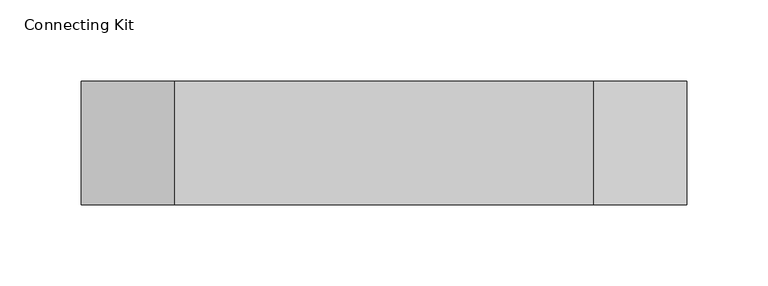
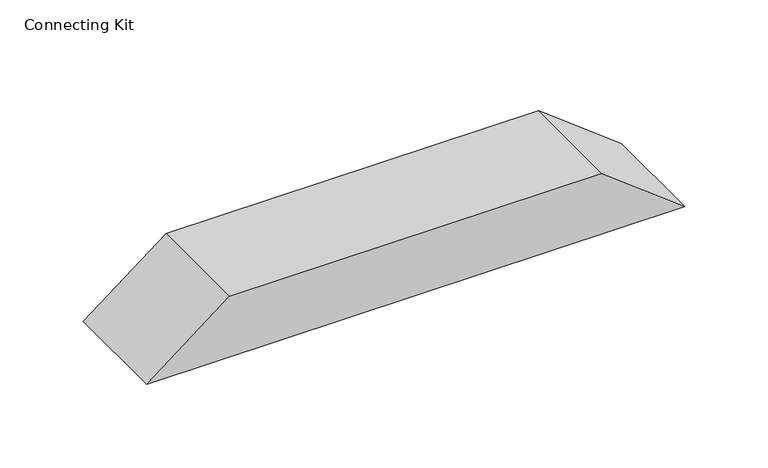
"""IFC4 building model written with IfcOpenShell, lengths in millimetres: furniture geometry, Connecting Kit."""

import ifcopenshell
import ifcopenshell.guid

model = None  # the IFC model being written
_history = None  # IfcOwnerHistory: only IFC2X3 demands one
_inside = {}  # id of a spatial element -> (the spatial element, [elements in it])
_under = {}  # id of a project, library or spatial element -> (it, [spatial elements below it])
_declared = {}  # id of a project -> (the project, [libraries it declares])
_typed = {}  # id of a type object -> (the type object, [elements of that type])
_made_of = {}  # id of a material, layer set ... -> (it, [elements and type objects made of it])


def new_model(schema):
    """Start an empty IFC model of exactly this schema.

    Asked for "IFC4X3", IfcOpenShell would pick the latest addendum, in which some entities
    have other attributes; the version numbers below select the first issue.
    IFC2X3 requires an IfcOwnerHistory on every rooted entity: one is made here for all.
    """
    global model, _history
    if schema == "IFC4X3":
        model = ifcopenshell.file(schema_version=(4, 3, 0, 0))
    else:
        model = ifcopenshell.file(schema=schema)
    _inside.clear()
    _under.clear()
    _declared.clear()
    _typed.clear()
    _made_of.clear()
    _history = None
    if model.schema == "IFC2X3":
        org = make("IfcOrganization", Name="unknown")
        user = make(
            "IfcPersonAndOrganization",
            ThePerson=make("IfcPerson", FamilyName="unknown"),
            TheOrganization=org,
        )
        app = make(
            "IfcApplication",
            ApplicationDeveloper=org,
            Version="unknown",
            ApplicationFullName="unknown",
            ApplicationIdentifier="unknown",
        )
        _history = make(
            "IfcOwnerHistory",
            OwningUser=user,
            OwningApplication=app,
            ChangeAction="ADDED",
            CreationDate=0,
        )
    return model


def make(cls, **values):
    """One entity of the class cls with the attributes given. An attribute that is None is left unset."""
    return model.create_entity(
        cls, **{name: value for name, value in values.items() if value is not None}
    )


def rooted(cls, **values):
    """An entity with a GlobalId (a new one), such as an element, a storey or a relation."""
    return make(cls, GlobalId=ifcopenshell.guid.new(), OwnerHistory=_history, **values)


def si_unit(unit_type, name, prefix=None):
    """IfcSIUnit, for example si_unit("LENGTHUNIT", "METRE", prefix="MILLI")."""
    return make("IfcSIUnit", UnitType=unit_type, Prefix=prefix, Name=name)


def assignment(units):
    """IfcUnitAssignment: the units of a project."""
    return None if units is None else make("IfcUnitAssignment", Units=units)


def point(xyz):
    """IfcCartesianPoint."""
    return None if xyz is None else make("IfcCartesianPoint", Coordinates=xyz)


def direction(xyz):
    """IfcDirection."""
    return None if xyz is None else make("IfcDirection", DirectionRatios=xyz)


def frame(location, z_axis=None, x_axis=None):
    """IfcAxis2Placement3D, a coordinate frame: its origin and axes. An axis left out is left unset."""
    return make(
        "IfcAxis2Placement3D",
        Location=point(location),
        Axis=direction(z_axis),
        RefDirection=direction(x_axis),
    )


def origin():
    """The frame at (0, 0, 0) with its axes left unset."""
    return frame((0.0, 0.0, 0.0))


def place(relative_to, where):
    """IfcLocalPlacement: puts the frame where relative to a parent placement (None: the world)."""
    return make(
        "IfcLocalPlacement", PlacementRelTo=relative_to, RelativePlacement=where
    )


def context(
    kind, dimensions, precision=None, world=None, true_north=None, identifier=None
):
    """IfcGeometricRepresentationContext, for example the 3D "Model" context."""
    return make(
        "IfcGeometricRepresentationContext",
        ContextIdentifier=identifier,
        ContextType=kind,
        CoordinateSpaceDimension=dimensions,
        Precision=precision,
        WorldCoordinateSystem=world,
        TrueNorth=true_north,
    )


def project(units=None, contexts=None):
    """IfcProject with its units and contexts."""
    return rooted(
        "IfcProject",
        Name="project",
        RepresentationContexts=contexts,
        UnitsInContext=assignment(units),
    )


def spatial(cls, under=None, at=None, **own):
    """A site, building, storey or space (cls), placed at a placement, below another one or the project."""
    s = rooted(cls, ObjectPlacement=at, **own)
    if under is not None:
        _under.setdefault(under.id(), (under, []))[1].append(s)
    return s


def polyline(points):
    """IfcPolyline through the points."""
    return make("IfcPolyline", Points=[point(p) for p in points])


def outline(outer, holes=None, kind="AREA"):
    """IfcArbitraryClosedProfileDef: a profile drawn as a closed curve; with holes, ...WithVoids."""
    if holes is None:
        return make("IfcArbitraryClosedProfileDef", ProfileType=kind, OuterCurve=outer)
    return make(
        "IfcArbitraryProfileDefWithVoids",
        ProfileType=kind,
        OuterCurve=outer,
        InnerCurves=holes,
    )


def extrude(swept, where, along, depth):
    """IfcExtrudedAreaSolid: the profile swept, set in the frame where, extruded along a direction by depth."""
    return make(
        "IfcExtrudedAreaSolid",
        SweptArea=swept,
        Position=where,
        ExtrudedDirection=direction(along),
        Depth=depth,
    )


def shape(context_of_items, identifier, shape_type, items):
    """IfcShapeRepresentation: the items that make up one representation, for example the "Body"."""
    return make(
        "IfcShapeRepresentation",
        ContextOfItems=context_of_items,
        RepresentationIdentifier=identifier,
        RepresentationType=shape_type,
        Items=items,
    )


def source(mapping_origin, context_of_items, identifier, shape_type, items):
    """IfcRepresentationMap: a shape defined once, which mapped items show again and again."""
    return make(
        "IfcRepresentationMap",
        MappingOrigin=mapping_origin,
        MappedRepresentation=shape(context_of_items, identifier, shape_type, items),
    )


def transform(
    local_origin,
    x_axis=None,
    y_axis=None,
    z_axis=None,
    scale=None,
    scale2=None,
    scale3=None,
    uniform=True,
):
    """IfcCartesianTransformationOperator3D, or its non-uniform kind. x_axis, y_axis, z_axis: its Axis1, 2, 3."""
    if uniform:
        return make(
            "IfcCartesianTransformationOperator3D",
            Axis1=direction(x_axis),
            Axis2=direction(y_axis),
            LocalOrigin=point(local_origin),
            Scale=scale,
            Axis3=direction(z_axis),
        )
    return make(
        "IfcCartesianTransformationOperator3DnonUniform",
        Axis1=direction(x_axis),
        Axis2=direction(y_axis),
        LocalOrigin=point(local_origin),
        Scale=scale,
        Axis3=direction(z_axis),
        Scale2=scale2,
        Scale3=scale3,
    )


def mapped(mapping_source, mapping_target):
    """IfcMappedItem: shows the shape of a source again, moved by a transform."""
    return make(
        "IfcMappedItem", MappingSource=mapping_source, MappingTarget=mapping_target
    )


def made_of(thing, what):
    """Note that an element or type object is made of a material, layer set ...; save() writes the relation."""
    if what is not None:
        _made_of.setdefault(what.id(), (what, []))[1].append(thing)
    return thing


def element(
    cls,
    number,
    at=None,
    inside=None,
    cuts=None,
    type_object=None,
    material=None,
    context=None,
    identifier="Body",
    shape_type=None,
    held_by="IfcProductDefinitionShape",
    body=None,
    shapes=None,
    **own,
):
    """One element of the class cls, such as IfcWall. Its Tag is "e" and its number.

    at: its placement. inside: the storey or other place that contains it. cuts: it is an
    opening in that element (IfcRelVoidsElement). A single representation is given by context,
    identifier, shape_type and body (its items); several are given by shapes. held_by: the class
    of the entity that holds the representations. save() writes the other relations.
    """
    e = rooted(cls, Tag="e%d" % number, ObjectPlacement=at, **own)
    if body is not None:
        shapes = [shape(context, identifier, shape_type, body)]
    if shapes is not None:
        e.Representation = make(held_by, Representations=shapes)
    if inside is not None:
        _inside.setdefault(inside.id(), (inside, []))[1].append(e)
    if cuts is not None:
        rooted(
            "IfcRelVoidsElement", RelatingBuildingElement=cuts, RelatedOpeningElement=e
        )
    if type_object is not None:
        _typed.setdefault(type_object.id(), (type_object, []))[1].append(e)
    return made_of(e, material)


def aggregate(whole, parts):
    """IfcRelAggregates: a whole, such as a stair, and the parts it consists of."""
    return rooted("IfcRelAggregates", RelatingObject=whole, RelatedObjects=parts)


def save(model, path):
    """Write the relations noted so far, then the file.

    IfcRelAggregates (storeys below a building ...), IfcRelContainedInSpatialStructure (elements
    in a storey), IfcRelDefinesByType, IfcRelAssociatesMaterial and IfcRelDeclares: one each for
    every whole, place, type object, material and project.
    """
    for whole, parts in _under.values():
        aggregate(whole, parts)
    for where, things in _inside.values():
        rooted(
            "IfcRelContainedInSpatialStructure",
            RelatedElements=things,
            RelatingStructure=where,
        )
    for kind, things in _typed.values():
        rooted("IfcRelDefinesByType", RelatedObjects=things, RelatingType=kind)
    for what, things in _made_of.values():
        rooted("IfcRelAssociatesMaterial", RelatedObjects=things, RelatingMaterial=what)
    for by, libraries in _declared.values():
        rooted("IfcRelDeclares", RelatingContext=by, RelatedDefinitions=libraries)
    model.write(path)


def connecting_kit_af736128(model_context):
    return source(origin(), model_context, "Body", "SweptSolid", [
        extrude(outline(polyline([(392.2014117, -51.5001776), (347.7514117, -109.0297441), (347.7514117, 264.7287676), (392.2014117, 207.199201), (392.2014117, -51.5001776)])), frame((0.0, -800.1, 0.0), z_axis=(0.0, 1.0, 0.0), x_axis=(0.0, 0.0, 1.0)), (0.0, 0.0, 1.0), 76.2),
    ])


if __name__ == "__main__":
    model = new_model("IFC4")
    model_context = context("Model", 3, world=origin())
    ifc_project = project(units=[si_unit("LENGTHUNIT", "METRE", prefix="MILLI")], contexts=[model_context])
    site = spatial("IfcSite", under=ifc_project)
    building = spatial("IfcBuilding", under=site)
    placement = place(None, origin())
    connecting_kit_shape = connecting_kit_af736128(model_context)
    element("IfcFurniture", 1, ObjectType="Connecting Kit", at=placement, inside=building, context=model_context, shape_type="MappedRepresentation", body=[
        mapped(connecting_kit_shape, transform((0.0, 0.0, 0.0), x_axis=(1.0, 0.0, 0.0), y_axis=(0.0, 1.0, 0.0), z_axis=(0.0, 0.0, 1.0))),
    ])
    save(model, "model.ifc")
